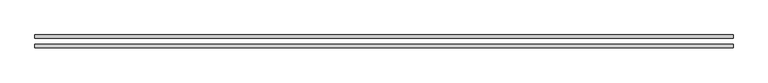
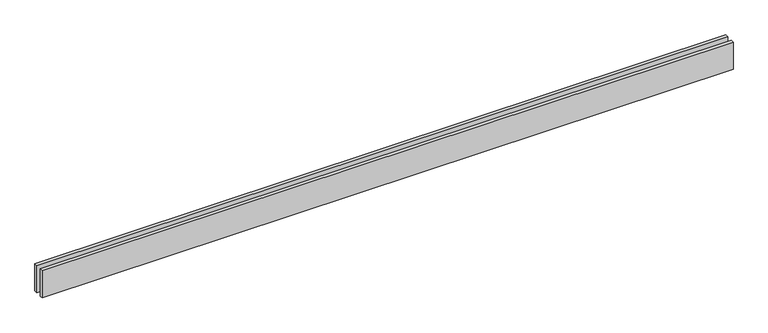
"""IFC4 building model written with IfcOpenShell, lengths in millimetres: proxy geometry."""

from ifc_helpers import new_model, si_unit, origin, origin_with_axes, place, context, project, spatial, polyline, outline, extrude, source, transform, mapped, element, save


def generic_models_450ebf3a(model_context):
    return source(origin(), model_context, "Body", "SweptSolid", [
        extrude(outline(polyline([(6039.7683887, 25.0), (0.0, 25.0), (0.0, 55.0), (6039.7683887, 55.0), (6039.7683887, 25.0)])), origin_with_axes(), (0.0, 0.0, 1.0), 250.0),
        extrude(outline(polyline([(6039.7683887, -55.0), (0.0, -55.0), (0.0, -25.0), (6039.7683887, -25.0), (6039.7683887, -55.0)])), origin_with_axes(), (0.0, 0.0, 1.0), 250.0),
    ])


if __name__ == "__main__":
    model = new_model("IFC4")
    model_context = context("Model", 3, world=origin())
    ifc_project = project(units=[si_unit("LENGTHUNIT", "METRE", prefix="MILLI")], contexts=[model_context])
    site = spatial("IfcSite", under=ifc_project)
    building = spatial("IfcBuilding", under=site)
    placement = place(None, origin())
    generic_models_shape = generic_models_450ebf3a(model_context)
    element("IfcBuildingElementProxy", 1, Name="Generic Models", at=placement, inside=building, context=model_context, shape_type="MappedRepresentation", body=[
        mapped(generic_models_shape, transform((0.0, 0.0, 0.0), x_axis=(1.0, 0.0, 0.0), y_axis=(0.0, 1.0, 0.0), z_axis=(0.0, 0.0, 1.0))),
    ])
    save(model, "model.ifc")
